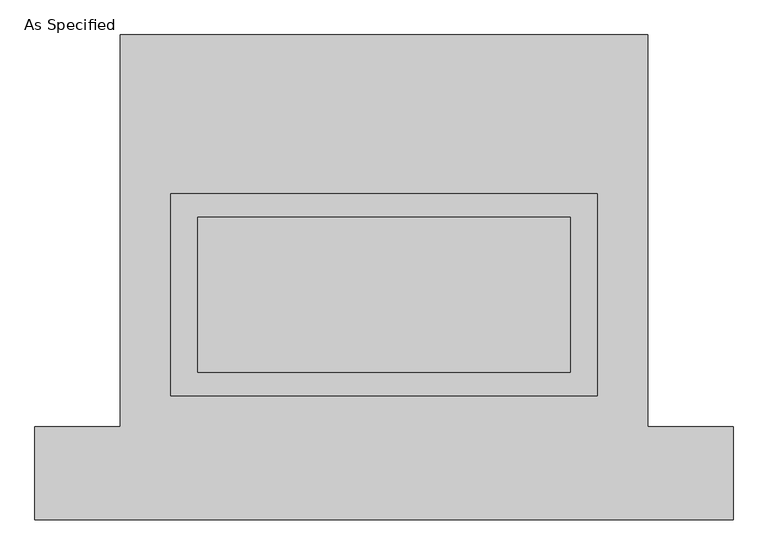
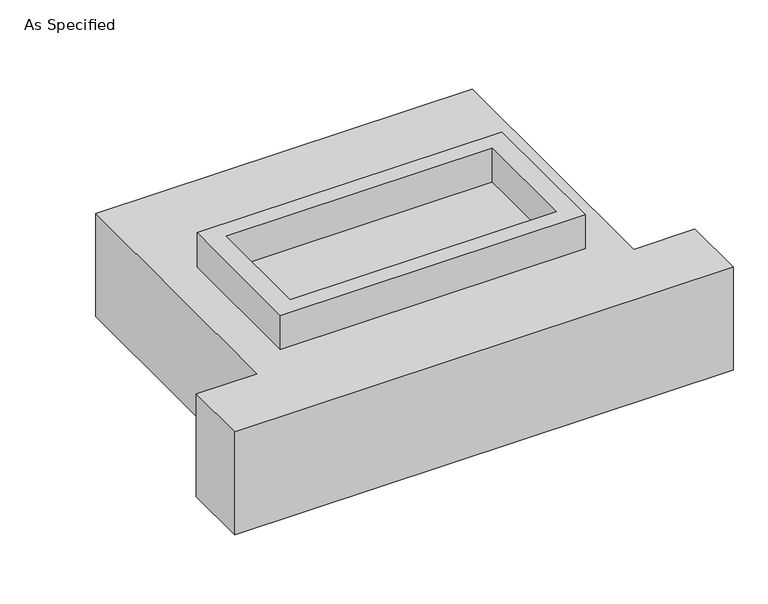
"""IFC4 building model written with IfcOpenShell, lengths in millimetres: proxy geometry, As Specified."""

from ifc_helpers import new_model, si_unit, frame, origin, place, context, project, spatial, polyline, outline, extrude, source, transform, mapped, element, save


def as_specified_7550a700(model_context):
    return source(origin(), model_context, "Body", "SweptSolid", [
        extrude(outline(polyline([(698.5, 273.05), (698.5, -387.35), (-698.5, -387.35), (-698.5, 273.05), (698.5, 273.05)]), holes=[polyline([(609.6, 196.85), (-609.6, 196.85), (-609.6, -311.15), (609.6, -311.15), (609.6, 196.85)])]), frame((0.0, 0.0, -688.975), z_axis=(0.0, 0.0, 1.0), x_axis=(1.0, 0.0, 0.0)), (0.0, 0.0, 1.0), 165.1),
        extrude(outline(polyline([(698.5, 273.05), (698.5, -387.35), (-698.5, -387.35), (-698.5, 273.05), (698.5, 273.05)]), holes=[polyline([(609.6, 196.85), (-609.6, 196.85), (-609.6, -311.15), (609.6, -311.15), (609.6, 196.85)])]), frame((0.0, 0.0, -25.4), z_axis=(0.0, 0.0, 1.0), x_axis=(1.0, 0.0, 0.0)), (0.0, 0.0, 1.0), 165.1),
        extrude(outline(polyline([(609.6, 196.85), (609.6, -311.15), (-609.6, -311.15), (-609.6, 196.85), (609.6, 196.85)])), frame((0.0, 0.0, -523.875), z_axis=(0.0, 0.0, 1.0), x_axis=(1.0, 0.0, 0.0)), (0.0, 0.0, 1.0), 4.9609375),
        extrude(outline(polyline([(609.6, 196.85), (609.6, -311.15), (-609.6, -311.15), (-609.6, 196.85), (609.6, 196.85)])), frame((0.0, 0.0, -30.3609375), z_axis=(0.0, 0.0, 1.0), x_axis=(1.0, 0.0, 0.0)), (0.0, 0.0, 1.0), 4.9609375),
        extrude(outline(polyline([(-863.6, 793.75), (863.6, 793.75), (863.6, -488.95), (1143.0, -488.95), (1143.0, -793.75), (-1143.0, -793.75), (-1143.0, -488.95), (-863.6, -488.95), (-863.6, 793.75)]), holes=[polyline([(-698.5, 273.05), (-698.5, -387.35), (698.5, -387.35), (698.5, 273.05), (-698.5, 273.05)])]), frame((0.0, 0.0, -523.875), z_axis=(0.0, 0.0, 1.0), x_axis=(1.0, 0.0, 0.0)), (0.0, 0.0, 1.0), 498.475),
    ])


if __name__ == "__main__":
    model = new_model("IFC4")
    model_context = context("Model", 3, world=origin())
    ifc_project = project(units=[si_unit("LENGTHUNIT", "METRE", prefix="MILLI")], contexts=[model_context])
    site = spatial("IfcSite", under=ifc_project)
    building = spatial("IfcBuilding", under=site)
    placement = place(None, origin())
    as_specified_shape = as_specified_7550a700(model_context)
    element("IfcBuildingElementProxy", 1, Name="As Specified", ObjectType="As Specified", at=placement, inside=building, context=model_context, shape_type="MappedRepresentation", body=[
        mapped(as_specified_shape, transform((0.0, 0.0, 0.0), x_axis=(1.0, 0.0, 0.0), y_axis=(0.0, 1.0, 0.0), z_axis=(0.0, 0.0, 1.0))),
    ])
    save(model, "model.ifc")
